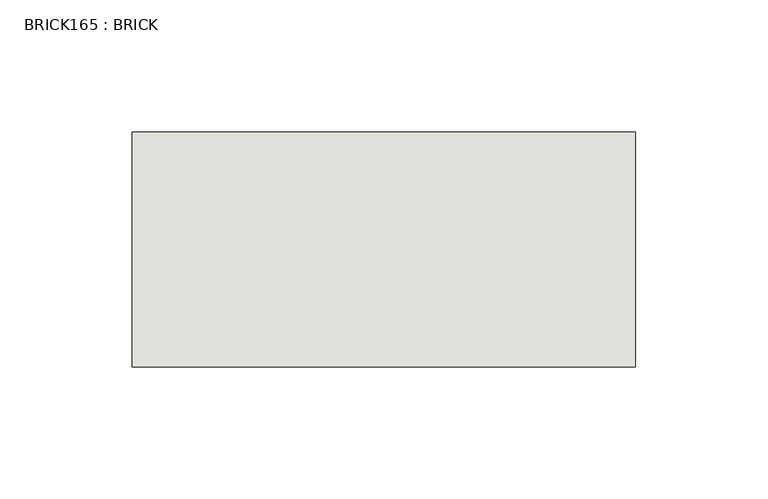
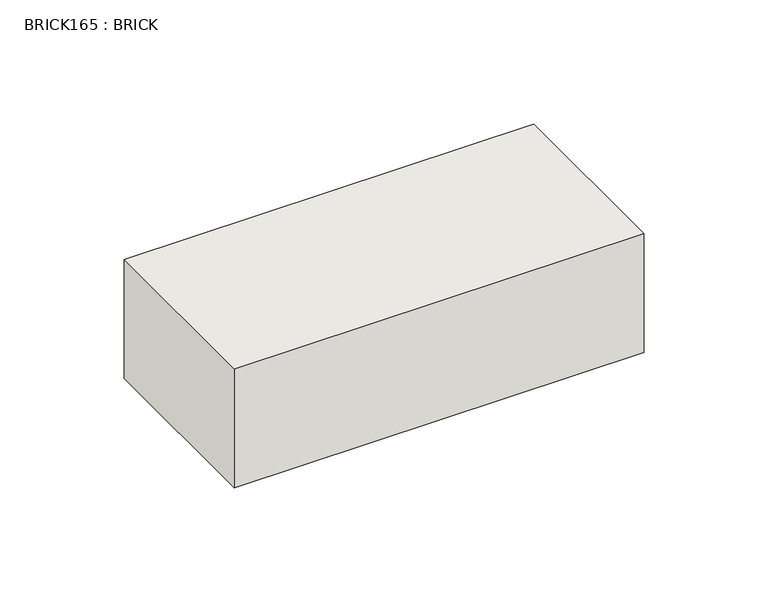
"""IFC4 building model written with IfcOpenShell, lengths in millimetres: wall geometry, BRICK165 : BRICK."""

from ifc_helpers import new_model, si_unit, frame, origin, place, context, project, spatial, polyline, outline, extrude, source, transform, mapped, element, save


def brick165_brick_41f89cb2(model_context):
    return source(origin(), model_context, "Body", "SweptSolid", [
        extrude(outline(polyline([(-58.6574357, 3062.3923312), (131.8425643, 3062.3923312), (131.8425643, 2973.4923312), (-58.6574357, 2973.4923312), (-58.6574357, 3062.3923312)])), frame((0.0, 0.0, 143.8671875), z_axis=(0.0, 0.0, 1.0), x_axis=(1.0, 0.0, 0.0)), (0.0, 0.0, 1.0), 58.4398437),
    ])


if __name__ == "__main__":
    model = new_model("IFC4")
    model_context = context("Model", 3, world=origin())
    ifc_project = project(units=[si_unit("LENGTHUNIT", "METRE", prefix="MILLI")], contexts=[model_context])
    site = spatial("IfcSite", under=ifc_project)
    building = spatial("IfcBuilding", under=site)
    placement = place(None, origin())
    brick165_brick_shape = brick165_brick_41f89cb2(model_context)
    element("IfcWall", 1, ObjectType="BRICK165 : BRICK", at=placement, inside=building, context=model_context, shape_type="MappedRepresentation", body=[
        mapped(brick165_brick_shape, transform((0.0, 0.0, 0.0), x_axis=(1.0, 0.0, 0.0), y_axis=(0.0, 1.0, 0.0), z_axis=(0.0, 0.0, 1.0))),
    ])
    save(model, "model.ifc")
